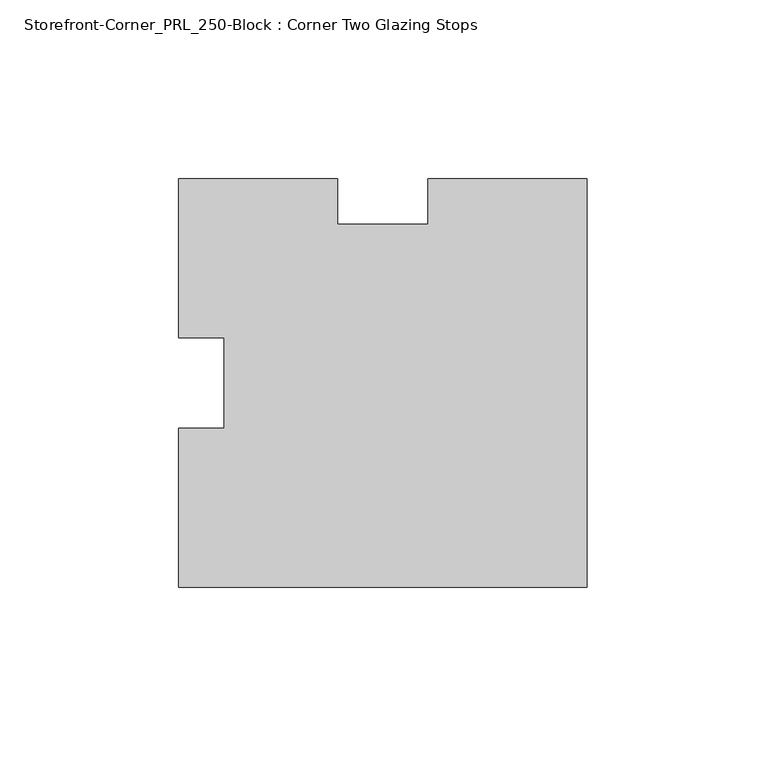
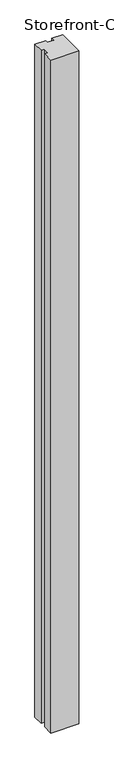
"""IFC4 building model written with IfcOpenShell, lengths in millimetres: proxy geometry, Storefront-Corner_PRL_250-Block : Corner Two Glazing Stops."""

from ifc_helpers import new_model, si_unit, origin, origin_with_axes, place, context, project, spatial, polyline, outline, extrude, source, transform, mapped, element, save


def storefront_corner_prl_250_block_corner_two_glazing_stops_f6392ed1(model_context):
    return source(origin(), model_context, "Body", "SweptSolid", [
        extrude(outline(polyline([(-57.15, 12.7), (-57.15, 57.15), (-12.7, 57.15), (-12.7, 44.45), (12.7, 44.45), (12.7, 57.15), (57.15, 57.15), (57.15, -57.15), (-57.15, -57.15), (-57.15, -12.7), (-44.45, -12.7), (-44.45, 12.7), (-57.15, 12.7)])), origin_with_axes(), (0.0, 0.0, 1.0), 2930.525),
    ])


if __name__ == "__main__":
    model = new_model("IFC4")
    model_context = context("Model", 3, world=origin())
    ifc_project = project(units=[si_unit("LENGTHUNIT", "METRE", prefix="MILLI")], contexts=[model_context])
    site = spatial("IfcSite", under=ifc_project)
    building = spatial("IfcBuilding", under=site)
    placement = place(None, origin())
    storefront_corner_prl_250_block_corner_two_glazing_stops_shape = storefront_corner_prl_250_block_corner_two_glazing_stops_f6392ed1(model_context)
    element("IfcBuildingElementProxy", 1, Name="Storefront-Corner_PRL_250-Block : Corner Two Glazing Stops", ObjectType="Storefront-Corner_PRL_250-Block : Corner Two Glazing Stops", at=placement, inside=building, context=model_context, shape_type="MappedRepresentation", body=[
        mapped(storefront_corner_prl_250_block_corner_two_glazing_stops_shape, transform((0.0, 0.0, 0.0), x_axis=(1.0, 0.0, 0.0), y_axis=(0.0, 1.0, 0.0), z_axis=(0.0, 0.0, 1.0))),
    ])
    save(model, "model.ifc")
